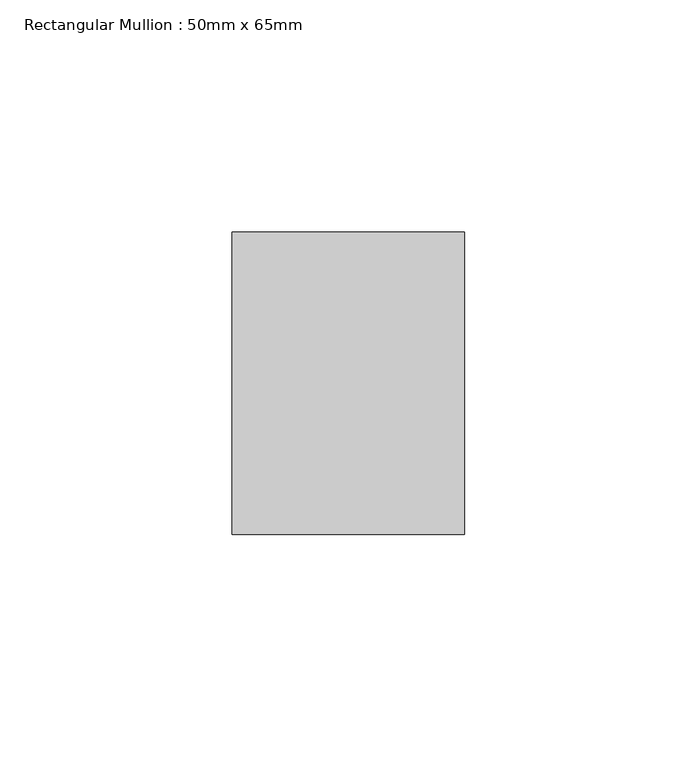
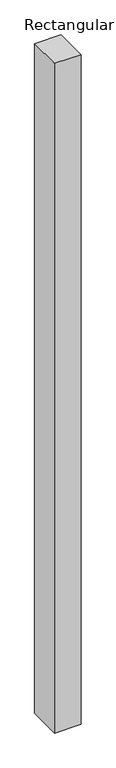
"""IFC4 building model written with IfcOpenShell, lengths in millimetres: member geometry, Rectangular Mullion : 50mm x 65mm."""

from ifc_helpers import new_model, si_unit, frame, origin, place, context, project, spatial, polyline, outline, extrude, source, transform, mapped, element, save


def rectangular_mullion_50mm_x_65mm_358c7a9e(model_context):
    return source(origin(), model_context, "Body", "SweptSolid", [
        extrude(outline(polyline([(25.0, 32.5), (25.0, -32.5), (-25.0, -32.5), (-25.0, 32.5), (25.0, 32.5)])), frame((0.0, 0.0, -1337.4791378), z_axis=(0.0, 0.0, 1.0), x_axis=(1.0, 0.0, 0.0)), (0.0, 0.0, 1.0), 1337.4791378),
    ])


if __name__ == "__main__":
    model = new_model("IFC4")
    model_context = context("Model", 3, world=origin())
    ifc_project = project(units=[si_unit("LENGTHUNIT", "METRE", prefix="MILLI")], contexts=[model_context])
    site = spatial("IfcSite", under=ifc_project)
    building = spatial("IfcBuilding", under=site)
    placement = place(None, origin())
    rectangular_mullion_50mm_x_65mm_shape = rectangular_mullion_50mm_x_65mm_358c7a9e(model_context)
    element("IfcMember", 1, ObjectType="Rectangular Mullion : 50mm x 65mm", at=placement, inside=building, context=model_context, shape_type="MappedRepresentation", body=[
        mapped(rectangular_mullion_50mm_x_65mm_shape, transform((0.0, 0.0, 0.0), x_axis=(1.0, 0.0, 0.0), y_axis=(0.0, 1.0, 0.0), z_axis=(0.0, 0.0, 1.0))),
    ])
    save(model, "model.ifc")
